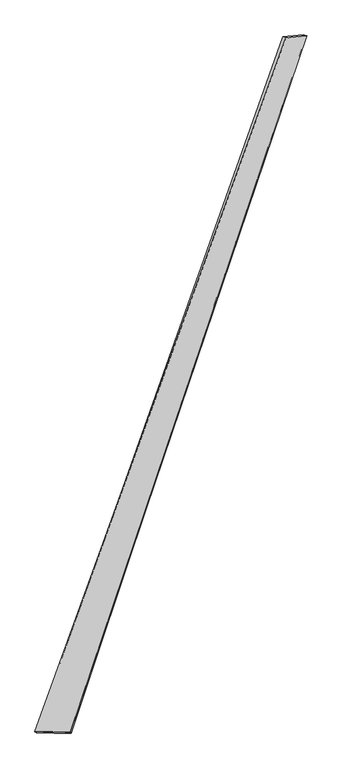
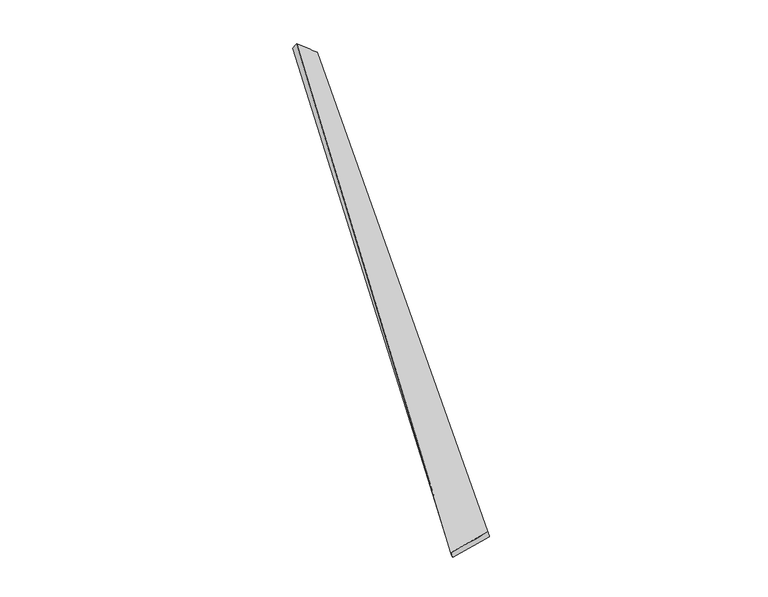
"""IFC4 building model written with IfcOpenShell, lengths in millimetres: proxy geometry."""

from ifc_helpers import new_model, si_unit, origin, place, context, project, spatial, source, transform, mapped, element, save
from ifc_brep_helpers import spline_surface, advanced_brep


def generic_models_83a70847(model_context):
    return source(origin(), model_context, "Body", "AdvancedBrep", [
        advanced_brep(
        [(-719.0246374, -1821.5290814, -27.0497), (-727.534019, -1819.044409, 1.6106704), (726.2584392, 2191.8987164, 71.4820401), (708.4968904, 2198.6406273, 48.2640725), (-522.8645272, -1823.67467, 55.9953686), (846.428492, 2203.170058, -26.3821277), (-516.1486135, -1826.4501018, 26.8887803), (826.6763605, 2209.3385559, -48.1031529)],
        [
            (0, 1),
            (1, 2),
            (2, 3),
            (3, 0),
            (1, 4),
            (4, 5),
            (5, 2),
            (4, 6),
            (6, 7),
            (7, 5),
            (6, 0),
            (3, 7),
        ],
        [
            spline_surface(1, 1, [[(-719.0246374, -1821.5290814, -27.0497), (708.4968904, 2198.6406273, 48.2640725)], [(-727.534019, -1819.044409, 1.6106704), (726.2584392, 2191.8987164, 71.4820401)]], [2, 2], [2, 2], [0.0, 1.0], [0.0, 1.0]),
            spline_surface(1, 1, [[(-727.534019, -1819.044409, 1.6106704), (726.2584392, 2191.8987164, 71.4820401)], [(-522.8645272, -1823.67467, 55.9953686), (846.428492, 2203.170058, -26.3821277)]], [2, 2], [2, 2], [0.0, 1.0], [0.0, 1.0]),
            spline_surface(1, 1, [[(-522.8645272, -1823.67467, 55.9953686), (846.428492, 2203.170058, -26.3821277)], [(-516.1486135, -1826.4501018, 26.8887803), (826.6763605, 2209.3385559, -48.1031529)]], [2, 2], [2, 2], [0.0, 1.0], [0.0, 1.0]),
            spline_surface(1, 1, [[(-516.1486135, -1826.4501018, 26.8887803), (826.6763605, 2209.3385559, -48.1031529)], [(-719.0246374, -1821.5290814, -27.0497), (708.4968904, 2198.6406273, 48.2640725)]], [2, 2], [2, 2], [0.0, 1.0], [0.0, 1.0]),
            spline_surface(1, 1, [[(726.2584392, 2191.8987164, 71.4820401), (708.4968904, 2198.6406273, 48.2640725)], [(846.428492, 2203.170058, -26.3821277), (826.6763605, 2209.3385559, -48.1031529)]], [2, 2], [2, 2], [0.0, 1.0], [0.0, 1.0]),
            spline_surface(1, 1, [[(-516.1486135, -1826.4501018, 26.8887803), (-719.0246374, -1821.5290814, -27.0497)], [(-522.8645272, -1823.67467, 55.9953686), (-727.534019, -1819.044409, 1.6106704)]], [2, 2], [2, 2], [0.0, 1.0], [0.0, 1.0]),
        ],
        [
            (0, [[1, 2, 3, 4]]),
            (1, [[5, 6, 7, -2]]),
            (2, [[8, 9, 10, -6]]),
            (3, [[11, -4, 12, -9]]),
            (4, [[-3, -7, -10, -12]]),
            (5, [[-11, -8, -5, -1]]),
        ],
    ),
    ])


if __name__ == "__main__":
    model = new_model("IFC4")
    model_context = context("Model", 3, world=origin())
    ifc_project = project(units=[si_unit("LENGTHUNIT", "METRE", prefix="MILLI")], contexts=[model_context])
    site = spatial("IfcSite", under=ifc_project)
    building = spatial("IfcBuilding", under=site)
    placement = place(None, origin())
    generic_models_shape = generic_models_83a70847(model_context)
    element("IfcBuildingElementProxy", 1, Name="Generic Models", at=placement, inside=building, context=model_context, shape_type="MappedRepresentation", body=[
        mapped(generic_models_shape, transform((0.0, 0.0, 0.0), x_axis=(1.0, 0.0, 0.0), y_axis=(0.0, 1.0, 0.0), z_axis=(0.0, 0.0, 1.0))),
    ])
    save(model, "model.ifc")
